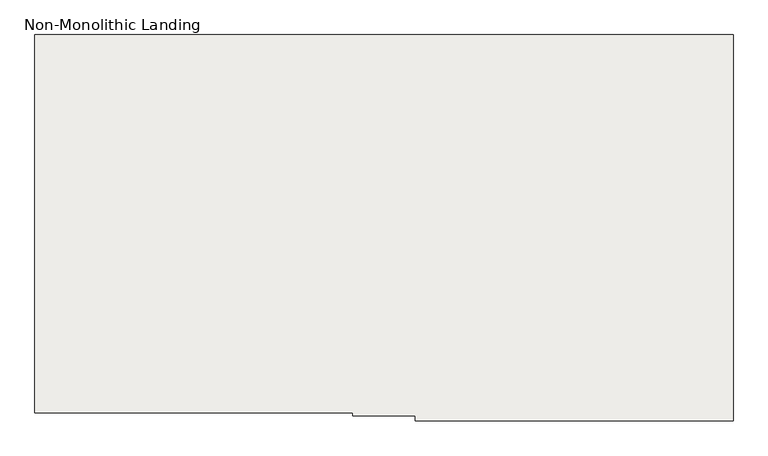
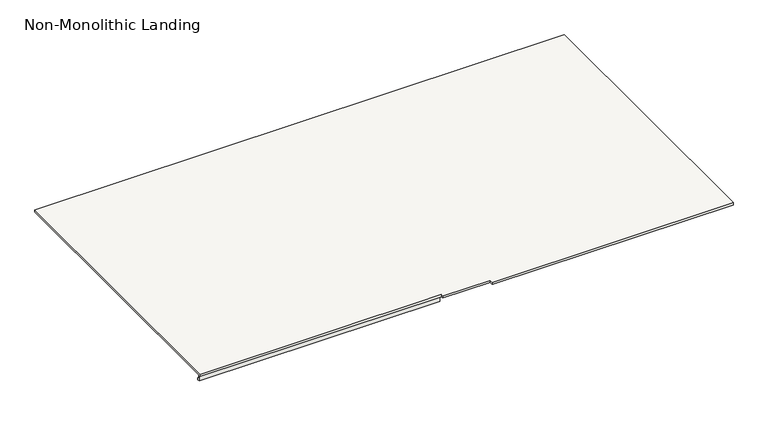
"""IFC4 building model written with IfcOpenShell, lengths in millimetres: slab geometry, Non-Monolithic Landing."""

from ifc_helpers import new_model, si_unit, origin, place, context, project, spatial, faceted_brep, source, transform, mapped, element, save


def non_monolithic_landing_b121f432(model_context):
    return source(origin(), model_context, "Body", "Brep", [
        faceted_brep([(-3551.8300828, 3425.7653131, 2321.5294118), (-3551.8300828, 2235.7653131, 2321.5294118), (-2551.8300828, 2235.7653131, 2321.5294118), (-2551.8300828, 2225.7653131, 2321.5294118), (-2355.3300828, 2225.7653131, 2321.5294118), (-2355.3300828, 2210.7653131, 2321.5294118), (-1355.3300828, 2210.7653131, 2321.5294118), (-1355.3300828, 2225.7653131, 2321.5294118), (-1355.3300828, 3425.7653131, 2321.5294118), (-2551.8300828, 2235.7653131, 2311.5294118), (-3551.8300828, 2235.7653131, 2311.5294118), (-3551.8300828, 2245.7653131, 2311.5294118), (-2551.8300828, 2245.7653131, 2311.5294118), (-2551.8300828, 2249.0596675, 2311.5294118), (-3551.8300828, 2249.0596675, 2311.5294118), (-3551.8300828, 3425.7653131, 2311.5294118), (-1355.3300828, 3425.7653131, 2311.5294118), (-1355.3300828, 2225.7653131, 2311.5294118), (-1355.3300828, 2210.7653131, 2311.5294118), (-2355.3300828, 2210.7653131, 2311.5294118), (-2355.3300828, 2225.7653131, 2311.5294118), (-2551.8300828, 2225.7653131, 2311.5294118), (-3551.8300828, 2249.0596675, 2294.8944381), (-3551.8300828, 2254.9596352, 2294.9074412), (-3551.8300828, 2254.9596352, 2285.6487924), (-3551.8300828, 2245.7653131, 2285.6487924), (-2551.8300828, 2245.7653131, 2285.6487924), (-2551.8300828, 2254.9596352, 2285.6487924), (-2551.8300828, 2254.9596352, 2294.9074412), (-2551.8300828, 2249.0596675, 2294.8944381)], [[[0, 1, 2, 3, 4, 5, 6, 7, 8]], [[9, 10, 11, 12, 13, 14, 15, 16, 17, 18, 19, 20, 21]], [[8, 7, 17, 16]], [[0, 8, 16, 15]], [[0, 15, 14, 22, 23, 24, 25, 11, 10, 1]], [[26, 27, 28, 29, 13, 12]], [[25, 26, 12, 11]], [[27, 26, 25, 24]], [[28, 27, 24, 23]], [[29, 28, 23, 22]], [[29, 22, 14, 13]], [[2, 1, 10, 9]], [[3, 2, 9, 21]], [[4, 3, 21, 20]], [[5, 4, 20, 19]], [[6, 5, 19, 18]], [[7, 6, 18, 17]]]),
    ])


if __name__ == "__main__":
    model = new_model("IFC4")
    model_context = context("Model", 3, world=origin())
    ifc_project = project(units=[si_unit("LENGTHUNIT", "METRE", prefix="MILLI")], contexts=[model_context])
    site = spatial("IfcSite", under=ifc_project)
    building = spatial("IfcBuilding", under=site)
    placement = place(None, origin())
    non_monolithic_landing_shape = non_monolithic_landing_b121f432(model_context)
    element("IfcSlab", 1, ObjectType="Non-Monolithic Landing", at=placement, inside=building, context=model_context, shape_type="MappedRepresentation", body=[
        mapped(non_monolithic_landing_shape, transform((0.0, 0.0, 0.0), x_axis=(1.0, 0.0, 0.0), y_axis=(0.0, 1.0, 0.0), z_axis=(0.0, 0.0, 1.0))),
    ])
    save(model, "model.ifc")
